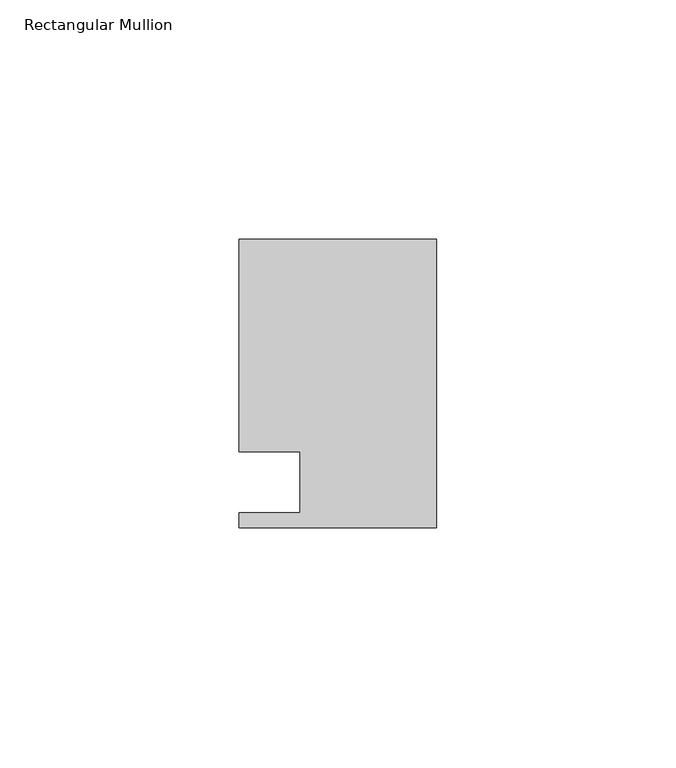
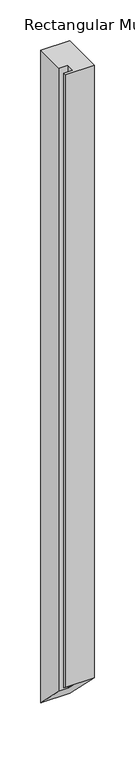
"""IFC4 building model written with IfcOpenShell, lengths in millimetres: member geometry, Rectangular Mullion."""

from ifc_helpers import new_model, si_unit, origin, place, context, project, spatial, faceted_brep, source, transform, mapped, element, save


def rectangular_mullion_f1e9a09b(model_context):
    return source(origin(), model_context, "Body", "Brep", [
        faceted_brep([(0.0, 30.1625, 0.0), (-41.275, 30.1625, 0.0), (-41.275, -14.2875, 0.0), (-28.575, -14.2875, 0.0), (-28.575, -26.9875, 0.0), (-41.275, -26.9875, 0.0), (-41.275, -30.1625, 0.0), (0.0, -30.1625, 0.0), (0.0, 30.1625, -979.4875), (-41.275, 30.1625, -979.4875), (-41.275, -14.2875, -935.0375), (-28.575, -14.2875, -935.0375), (-28.575, -26.9875, -922.3375), (-41.275, -26.9875, -922.3375), (-41.275, -30.1625, -919.1625), (0.0, -30.1625, -919.1625)], [[[0, 1, 2, 3, 4, 5, 6, 7]], [[1, 0, 8, 9]], [[2, 1, 9, 10]], [[3, 2, 10, 11]], [[4, 3, 11, 12]], [[5, 4, 12, 13]], [[6, 5, 13, 14]], [[7, 6, 14, 15]], [[0, 7, 15, 8]], [[8, 15, 14, 13, 12, 11, 10, 9]]]),
    ])


if __name__ == "__main__":
    model = new_model("IFC4")
    model_context = context("Model", 3, world=origin())
    ifc_project = project(units=[si_unit("LENGTHUNIT", "METRE", prefix="MILLI")], contexts=[model_context])
    site = spatial("IfcSite", under=ifc_project)
    building = spatial("IfcBuilding", under=site)
    placement = place(None, origin())
    rectangular_mullion_shape = rectangular_mullion_f1e9a09b(model_context)
    element("IfcMember", 1, ObjectType="Rectangular Mullion", at=placement, inside=building, context=model_context, shape_type="MappedRepresentation", body=[
        mapped(rectangular_mullion_shape, transform((0.0, 0.0, 0.0), x_axis=(1.0, 0.0, 0.0), y_axis=(0.0, 1.0, 0.0), z_axis=(0.0, 0.0, 1.0))),
    ])
    save(model, "model.ifc")
